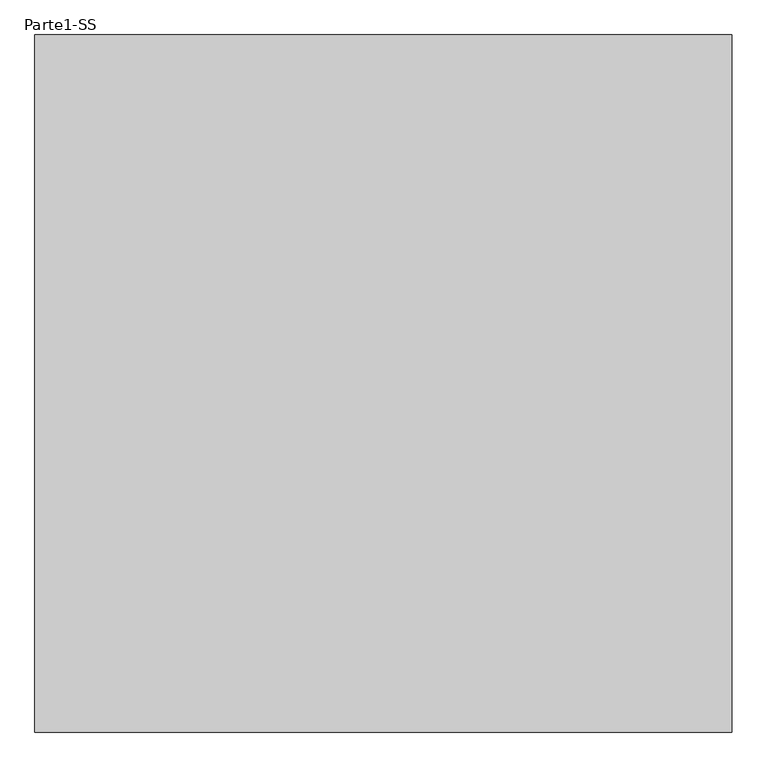
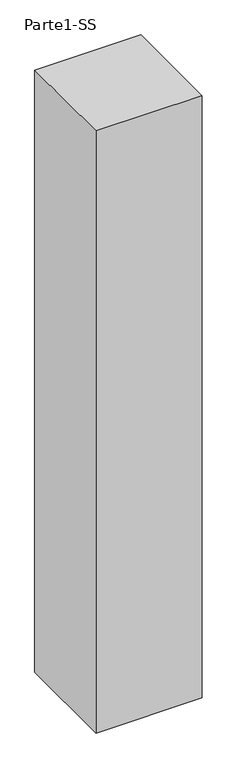
"""IFC4 building model written with IfcOpenShell, lengths in millimetres: proxy geometry, Parte1-SS."""

from ifc_helpers import new_model, si_unit, frame, origin, place, context, project, spatial, polyline, outline, extrude, source, transform, mapped, element, save


def parte1_ss_c5f6cec1(model_context):
    return source(origin(), model_context, "Body", "SweptSolid", [
        extrude(outline(polyline([(10000.0, 10000.0), (10000.0, 0.0), (0.0, 0.0), (0.0, 10000.0), (10000.0, 10000.0)])), frame((0.0, 0.0, 25000.0), z_axis=(0.0, 0.0, 1.0), x_axis=(1.0, 0.0, 0.0)), (0.0, 0.0, 1.0), 60000.0),
    ])


if __name__ == "__main__":
    model = new_model("IFC4")
    model_context = context("Model", 3, world=origin())
    ifc_project = project(units=[si_unit("LENGTHUNIT", "METRE", prefix="MILLI")], contexts=[model_context])
    site = spatial("IfcSite", under=ifc_project)
    building = spatial("IfcBuilding", under=site)
    placement = place(None, origin())
    parte1_ss_shape = parte1_ss_c5f6cec1(model_context)
    element("IfcBuildingElementProxy", 1, Name="Parte1-SS", ObjectType="Parte1-SS", at=placement, inside=building, context=model_context, shape_type="MappedRepresentation", body=[
        mapped(parte1_ss_shape, transform((0.0, 0.0, 0.0), x_axis=(1.0, 0.0, 0.0), y_axis=(0.0, 1.0, 0.0), z_axis=(0.0, 0.0, 1.0))),
    ])
    save(model, "model.ifc")
